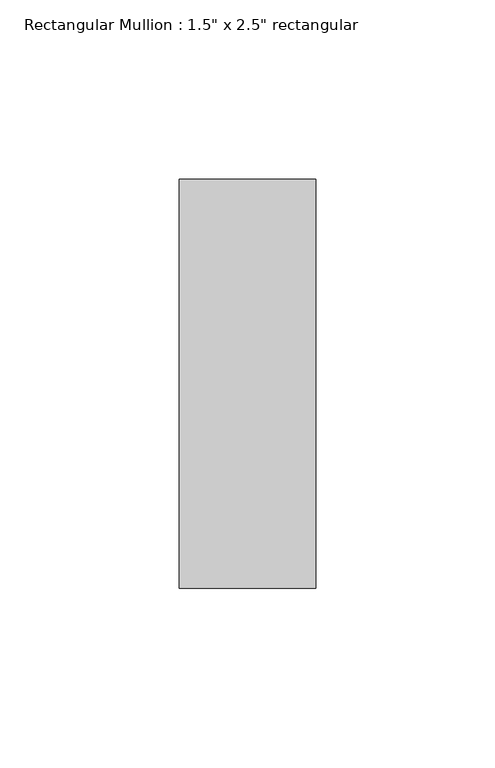
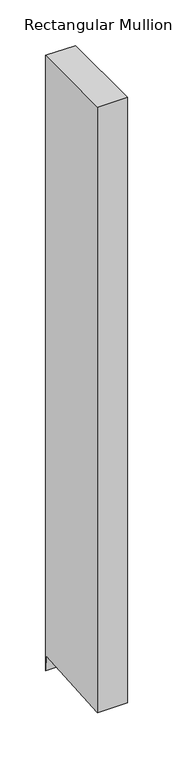
"""IFC4 building model written with IfcOpenShell, lengths in millimetres: member geometry."""

from ifc_helpers import new_model, si_unit, frame, origin, place, context, project, spatial, polyline, outline, extrude, source, transform, mapped, element, save


def member_6b14be3c(model_context):
    return source(origin(), model_context, "Body", "SweptSolid", [
        extrude(outline(polyline([(-57.15, 0.0), (57.15, 0.0), (57.15, -824.6064595), (55.6270263, -803.5476123), (-57.15, -811.7036354), (-57.15, 0.0)])), frame((-38.1, 0.0, 0.0), z_axis=(1.0, 0.0, 0.0), x_axis=(0.0, 1.0, 0.0)), (0.0, 0.0, 1.0), 38.1),
    ])


if __name__ == "__main__":
    model = new_model("IFC4")
    model_context = context("Model", 3, world=origin())
    ifc_project = project(units=[si_unit("LENGTHUNIT", "METRE", prefix="MILLI")], contexts=[model_context])
    site = spatial("IfcSite", under=ifc_project)
    building = spatial("IfcBuilding", under=site)
    placement = place(None, origin())
    member_shape = member_6b14be3c(model_context)
    element("IfcMember", 1, ObjectType="Rectangular Mullion : 1.5\" x 2.5\" rectangular", at=placement, inside=building, context=model_context, shape_type="MappedRepresentation", body=[
        mapped(member_shape, transform((0.0, 0.0, 0.0), x_axis=(1.0, 0.0, 0.0), y_axis=(0.0, 1.0, 0.0), z_axis=(0.0, 0.0, 1.0))),
    ])
    save(model, "model.ifc")
